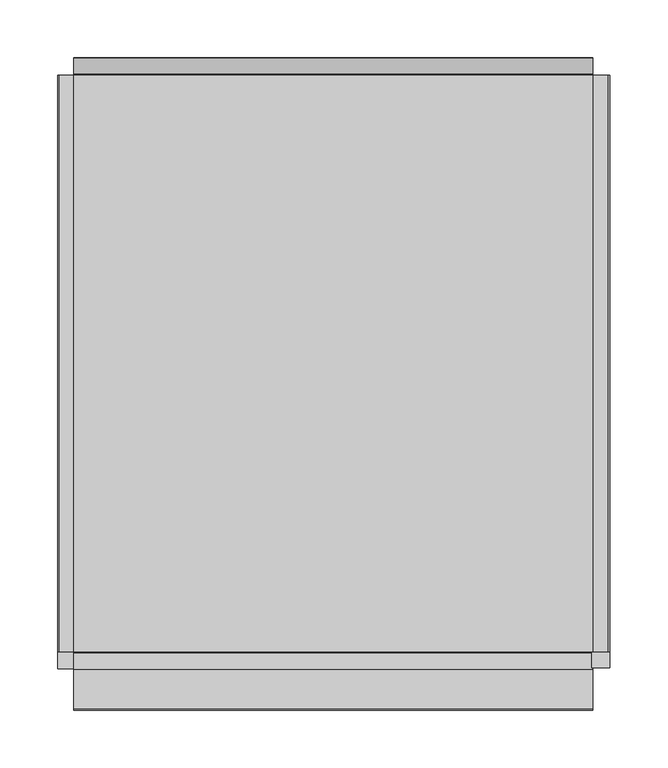
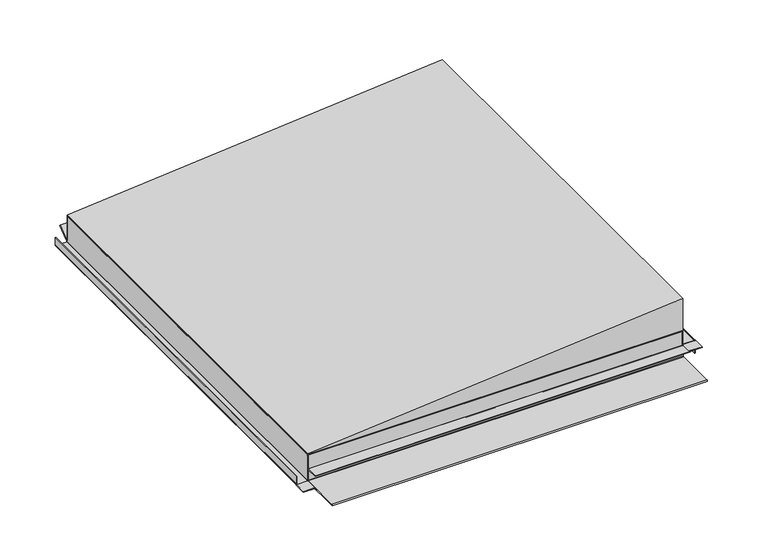
"""IFC4 building model written with IfcOpenShell, lengths in millimetres: proxy geometry."""

from ifc_helpers import new_model, si_unit, point, frame, frame_2d, origin, place, context, project, spatial, polyline, circle_curve, trimmed, segment, composite_curve, outline, extrude, faceted_brep, source, transform, mapped, element, save
from ifc_brep_helpers import plane_surface, cylinder_surface, revolved_surface, advanced_brep


def generic_models_7812be8e(model_context):
    return source(origin(), model_context, "Body", "SolidModel", [
        extrude(outline(composite_curve([segment(polyline([(0.33125, -237.7), (0.33125, -225.5)]), True, "CONTINUOUS"), segment(trimmed(circle_curve(frame_2d((1.63125, -225.5)), 1.3), [point((0.33125, -225.5))], [point((1.63125, -224.2))], False, "CARTESIAN"), True, "CONTINUOUS"), segment(polyline([(1.63125, -224.2), (33.33125, -224.2), (33.33125, -225.0), (1.63125, -225.0)]), True, "CONTINUOUS"), segment(trimmed(circle_curve(frame_2d((1.63125, -225.5)), 0.5), [point((1.63125, -225.0))], [point((1.13125, -225.5))], True, "CARTESIAN"), True, "CONTINUOUS"), segment(polyline([(1.13125, -225.5), (1.13125, -237.7)]), True, "CONTINUOUS"), segment(trimmed(circle_curve(frame_2d((1.63125, -237.7)), 0.5), [point((1.13125, -237.7))], [point((1.63125, -238.2))], True, "CARTESIAN"), True, "CONTINUOUS"), segment(polyline([(1.63125, -238.2), (11.33125, -238.2), (11.33125, -239.0), (1.63125, -239.0)]), True, "CONTINUOUS"), segment(trimmed(circle_curve(frame_2d((1.63125, -237.7)), 1.3), [point((1.63125, -239.0))], [point((0.33125, -237.7))], False, "CARTESIAN"), True, "CONTINUOUS")], self_intersect=False)), frame((0.0, -250.0, 0.0), z_axis=(0.0, 1.0, 0.0), x_axis=(0.0, 0.0, 1.0)), (0.0, 0.0, 1.0), 500.0),
        extrude(outline(polyline([(-239.0, -265.0), (-239.0, -250.0), (-224.2, -250.0), (-224.2, -265.0), (-239.0, -265.0)])), frame((0.0, 0.0, 0.33125), z_axis=(0.0, 0.0, 1.0), x_axis=(1.0, 0.0, 0.0)), (0.0, 0.0, 1.0), 0.8),
        extrude(outline(composite_curve([segment(polyline([(15.9, 225.5), (15.9, 238.7)]), True, "CONTINUOUS"), segment(trimmed(circle_curve(frame_2d((15.4, 238.7)), 0.5), [point((15.9, 238.7))], [point((15.4, 239.2))], True, "CARTESIAN"), True, "CONTINUOUS"), segment(polyline([(15.4, 239.2), (0.33125, 239.2), (0.33125, 240.0), (15.4, 240.0)]), True, "CONTINUOUS"), segment(trimmed(circle_curve(frame_2d((15.4, 238.7)), 1.3), [point((15.4, 240.0))], [point((16.7, 238.7))], False, "CARTESIAN"), True, "CONTINUOUS"), segment(polyline([(16.7, 238.7), (16.7, 225.5)]), True, "CONTINUOUS"), segment(trimmed(circle_curve(frame_2d((17.2, 225.5)), 0.5), [point((16.7, 225.5))], [point((17.2, 225.0))], True, "CARTESIAN"), True, "CONTINUOUS"), segment(polyline([(17.2, 225.0), (33.33125, 225.0), (33.33125, 224.2), (17.2, 224.2)]), True, "CONTINUOUS"), segment(trimmed(circle_curve(frame_2d((17.2, 225.5)), 1.3), [point((17.2, 224.2))], [point((15.9, 225.5))], False, "CARTESIAN"), True, "CONTINUOUS")], self_intersect=False)), frame((0.0, -250.0, 0.0), z_axis=(0.0, 1.0, 0.0), x_axis=(0.0, 0.0, 1.0)), (0.0, 0.0, 1.0), 500.0),
        extrude(outline(polyline([(240.0, -264.0), (224.2, -264.0), (224.2, -250.0), (240.0, -250.0), (240.0, -264.0)])), frame((0.0, 0.0, 15.9), z_axis=(0.0, 0.0, 1.0), x_axis=(1.0, 0.0, 0.0)), (0.0, 0.0, 1.0), 0.8),
        extrude(outline(composite_curve([segment(polyline([(-250.5, 0.0), (-300.15, 0.0)]), True, "CONTINUOUS"), segment(trimmed(circle_curve(frame_2d((-300.15, 0.85)), 0.85), [point((-300.15, 0.0))], [point((-300.15, 1.7))], False, "CARTESIAN"), True, "CONTINUOUS"), segment(polyline([(-300.15, 1.7), (-251.55, 1.7)]), True, "CONTINUOUS"), segment(trimmed(circle_curve(frame_2d((-251.55, 2.2)), 0.5), [point((-251.55, 1.7))], [point((-251.05, 2.2))], True, "CARTESIAN"), True, "CONTINUOUS"), segment(polyline([(-251.05, 2.2), (-251.05, 15.4)]), True, "CONTINUOUS"), segment(trimmed(circle_curve(frame_2d((-251.55, 15.4)), 0.5), [point((-251.05, 15.4))], [point((-251.55, 15.9))], True, "CARTESIAN"), True, "CONTINUOUS"), segment(polyline([(-251.55, 15.9), (-265.25, 15.9), (-265.25, 16.7), (-251.55, 16.7)]), True, "CONTINUOUS"), segment(trimmed(circle_curve(frame_2d((-251.55, 15.4)), 1.3), [point((-251.55, 16.7))], [point((-250.25, 15.4))], False, "CARTESIAN"), True, "CONTINUOUS"), segment(polyline([(-250.25, 15.4), (-250.25, 2.2)]), True, "CONTINUOUS"), segment(trimmed(circle_curve(frame_2d((-251.55, 2.2)), 1.3), [point((-250.25, 2.2))], [point((-251.55, 0.9))], False, "CARTESIAN"), True, "CONTINUOUS"), segment(polyline([(-251.55, 0.9), (-290.65, 0.9), (-250.5, 0.8)]), True, "CONTINUOUS"), segment(trimmed(circle_curve(frame_2d((-250.5, 1.3)), 0.5), [point((-250.5, 0.8))], [point((-250.0, 1.3))], True, "CARTESIAN"), True, "CONTINUOUS"), segment(polyline([(-250.0, 1.3), (-250.0, 33.0), (-249.2, 33.0), (-249.2, 1.3)]), True, "CONTINUOUS"), segment(trimmed(circle_curve(frame_2d((-250.5, 1.3)), 1.3), [point((-249.2, 1.3))], [point((-250.5, 0.0))], False, "CARTESIAN"), True, "CONTINUOUS")], self_intersect=False)), frame((-225.0, 0.0, 0.0), z_axis=(1.0, 0.0, 0.0), x_axis=(0.0, 1.0, 0.0)), (0.0, 0.0, 1.0), 450.0),
        advanced_brep(
        [(225.0, 250.0, 3.3), (225.0, 250.0, 33.0), (225.0, 249.2, 33.0), (225.0, 249.2, 3.3), (225.0, 251.4200663, 2.3815894), (225.0, 265.1302674, 12.712967), (225.0, 264.6488154, 13.3518754), (225.0, 250.8830222, 2.9786062), (-225.0, 250.0, 3.3), (-225.0, 250.8830222, 2.9786062), (-225.0, 264.6488154, 13.3518754), (-225.0, 265.1302674, 12.712967), (-225.0, 251.3644742, 2.3396978), (-225.0, 249.2, 3.3), (-225.0, 249.2, 33.0), (-225.0, 250.0, 33.0)],
        [
            (0, 1),
            (1, 2),
            (2, 3),
            (3, 4, circle_curve(frame((225.0, 250.5, 3.3), z_axis=(1.0, 0.0, 0.0), x_axis=(0.0, 1.0, 0.0)), 1.3)),
            (4, 5),
            (5, 6),
            (6, 7),
            (7, 0, circle_curve(frame((225.0, 250.5, 3.3), z_axis=(-1.0, 0.0, 0.0), x_axis=(0.0, 1.0, 0.0)), 0.5)),
            (8, 9, circle_curve(frame((-225.0, 250.5, 3.3), z_axis=(1.0, 0.0, 0.0), x_axis=(0.0, 1.0, 0.0)), 0.5)),
            (9, 10),
            (10, 11),
            (11, 12),
            (12, 13, circle_curve(frame((-225.0, 250.5, 3.3), z_axis=(-1.0, 0.0, 0.0), x_axis=(0.0, 1.0, 0.0)), 1.3)),
            (13, 14),
            (14, 15),
            (15, 8),
            (0, 8),
            (15, 1),
            (7, 9),
            (6, 10),
            (3, 13),
            (12, 4),
            (2, 14),
            (5, 11),
        ],
        [
            plane_surface(frame((225.0, 251.0, 3.3), z_axis=(1.0, 0.0, 0.0), x_axis=(0.0, 0.0, 1.0))),
            plane_surface(frame((-225.0, 251.0, 3.3), z_axis=(-1.0, 0.0, 0.0), x_axis=(0.0, 0.0, -1.0))),
            plane_surface(frame((225.0, 250.0, 33.0), z_axis=(0.0, 1.0, 0.0), x_axis=(-1.0, 0.0, 0.0))),
            revolved_surface(polyline([(-225.0, 251.0, 3.3), (225.0, 251.0, 3.3)]), (-225.0, 250.5, 3.3), (-1.0, 0.0, 0.0)),
            plane_surface(frame((225.0, 250.8830222, 2.9786062), z_axis=(0.0, -0.6018150231519699, 0.798635510047352), x_axis=(-1.0, 0.0, 0.0))),
            cylinder_surface(frame((-225.0, 250.5, 3.3), z_axis=(1.0, 0.0, 0.0), x_axis=(0.0, 1.0, 0.0)), 1.3),
            plane_surface(frame((225.0, 249.2, 3.3), z_axis=(0.0, -1.0, 0.0), x_axis=(-1.0, 0.0, 0.0))),
            plane_surface(frame((225.0, 249.2, 33.0), z_axis=(0.0, 0.0, 1.0), x_axis=(-1.0, 0.0, 0.0))),
            plane_surface(frame((225.0, 264.6488154, 13.3518754), z_axis=(0.0, 0.798635510047358, 0.6018150231519618), x_axis=(-1.0, 0.0, 0.0))),
            plane_surface(frame((225.0, 265.1302674, 12.712967), z_axis=(0.0, 0.6018150231519698, -0.798635510047352), x_axis=(-1.0, 0.0, 0.0))),
        ],
        [
            (0, [[1, 2, 3, 4, 5, 6, 7, 8]]),
            (1, [[9, 10, 11, 12, 13, 14, 15, 16]]),
            (2, [[17, -16, 18, -1]]),
            (3, [[19, -9, -17, -8]]),
            (4, [[20, -10, -19, -7]]),
            (5, [[21, -13, 22, -4]]),
            (6, [[23, -14, -21, -3]]),
            (7, [[-18, -15, -23, -2]]),
            (8, [[24, -11, -20, -6]]),
            (9, [[-22, -12, -24, -5]]),
        ],
    ),
        faceted_brep([(-225.0, -250.0, 34.0), (225.0, -250.0, 34.0), (225.0, 250.0, 34.0), (-225.0, 250.0, 34.0), (-225.0, -250.0, 33.0), (-225.0, -249.2, 33.0), (-225.0, 250.0, 33.0), (225.0, 250.0, 33.0), (225.0, -249.2, 33.0), (225.0, -250.0, 33.0)], [[[0, 1, 2, 3]], [[4, 5, 6, 7, 8, 9]], [[3, 6, 5, 4, 0]], [[2, 7, 6, 3]], [[1, 9, 8, 7, 2]], [[0, 4, 9, 1]]]),
        extrude(outline(polyline([(75.0, 225.0), (35.0, -225.0), (33.8, -225.0), (33.8, 225.0), (75.0, 225.0)])), frame((0.0, -250.0, 0.0), z_axis=(0.0, 1.0, 0.0), x_axis=(0.0, 0.0, 1.0)), (0.0, 0.0, 1.0), 500.0),
    ])


if __name__ == "__main__":
    model = new_model("IFC4")
    model_context = context("Model", 3, world=origin())
    ifc_project = project(units=[si_unit("LENGTHUNIT", "METRE", prefix="MILLI")], contexts=[model_context])
    site = spatial("IfcSite", under=ifc_project)
    building = spatial("IfcBuilding", under=site)
    placement = place(None, origin())
    generic_models_shape = generic_models_7812be8e(model_context)
    element("IfcBuildingElementProxy", 1, Name="Generic Models", at=placement, inside=building, context=model_context, shape_type="MappedRepresentation", body=[
        mapped(generic_models_shape, transform((0.0, 0.0, 0.0), x_axis=(1.0, 0.0, 0.0), y_axis=(0.0, 1.0, 0.0), z_axis=(0.0, 0.0, 1.0))),
    ])
    save(model, "model.ifc")
